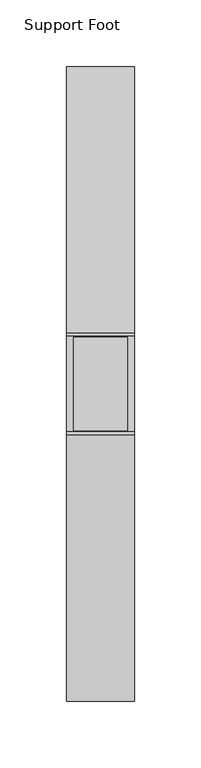
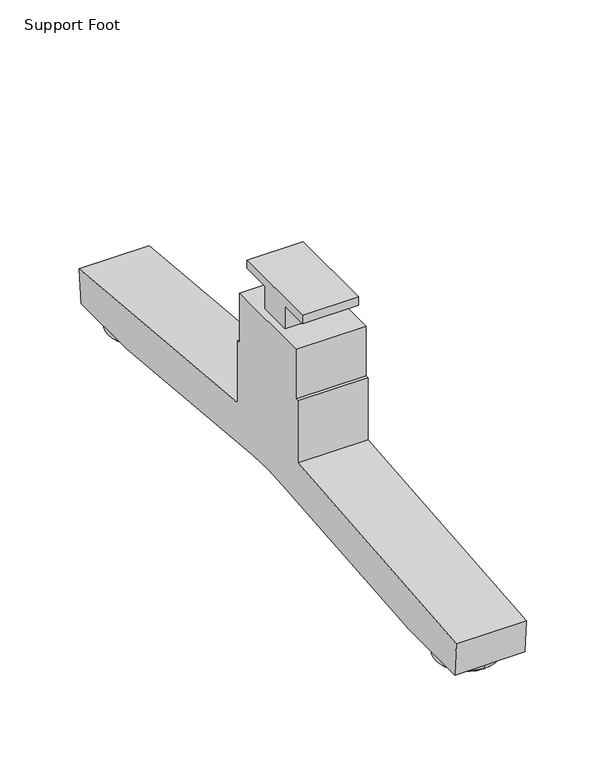
"""IFC4 building model written with IfcOpenShell, lengths in millimetres: furniture geometry, Support Foot."""

from ifc_helpers import new_model, si_unit, frame, origin, place, context, project, spatial, polyline, circle_curve, outline, extrude, source, transform, mapped, element, save
from ifc_brep_helpers import plane_surface, cylinder_surface, revolved_surface, advanced_brep


def support_foot_19a818ab(model_context):
    return source(origin(), model_context, "Body", "SolidModel", [
        advanced_brep(
        [(25.4000008, -245.1099919, 0.0), (25.4000008, -224.1549952, 0.0), (25.4000008, -266.0649887, 0.0), (25.4000008, -222.6309952, 1.524), (25.4000008, -267.5889886, 1.524), (25.4000008, -222.6309952, 4.9276), (25.4000008, -267.5889886, 4.9276), (25.4000008, -224.1549937, 6.4516002), (25.4000008, -266.0649901, 6.4516002), (25.4000008, -236.8549907, 8.9916001), (25.4000008, -253.3649931, 8.9916001), (25.4000008, -245.1099919, 8.9916001)],
        [
            (0, 1),
            (1, 2, circle_curve(frame((25.4000008, -245.1099919, 0.0), z_axis=(0.0, 0.0, -1.0), x_axis=(0.0, 1.0, 0.0)), 20.9549968)),
            (2, 0),
            (2, 1, circle_curve(frame((25.4000008, -245.1099919, 0.0), z_axis=(0.0, 0.0, -1.0), x_axis=(0.0, 1.0, 0.0)), 20.9549968)),
            (1, 3),
            (3, 4, circle_curve(frame((25.4000008, -245.1099919, 1.524), z_axis=(0.0, 0.0, -1.0), x_axis=(0.0, 1.0, 0.0)), 22.4789967)),
            (4, 2),
            (4, 3, circle_curve(frame((25.4000008, -245.1099919, 1.524), z_axis=(0.0, 0.0, -1.0), x_axis=(0.0, 1.0, 0.0)), 22.4789967)),
            (3, 5),
            (5, 6, circle_curve(frame((25.4000008, -245.1099919, 4.9276), z_axis=(0.0, 0.0, -1.0), x_axis=(0.0, 1.0, 0.0)), 22.4789967)),
            (6, 4),
            (6, 5, circle_curve(frame((25.4000008, -245.1099919, 4.9276), z_axis=(0.0, 0.0, -1.0), x_axis=(0.0, 1.0, 0.0)), 22.4789967)),
            (5, 7),
            (7, 8, circle_curve(frame((25.4000008, -245.1099919, 6.4516002), z_axis=(0.0, 0.0, -1.0), x_axis=(0.0, 1.0, 0.0)), 20.9549982)),
            (8, 6),
            (8, 7, circle_curve(frame((25.4000008, -245.1099919, 6.4516002), z_axis=(0.0, 0.0, -1.0), x_axis=(0.0, 1.0, 0.0)), 20.9549982)),
            (7, 9),
            (9, 10, circle_curve(frame((25.4000008, -245.1099919, 8.9916001), z_axis=(0.0, 0.0, -1.0), x_axis=(0.0, 1.0, 0.0)), 8.2550012)),
            (10, 8),
            (10, 9, circle_curve(frame((25.4000008, -245.1099919, 8.9916001), z_axis=(0.0, 0.0, -1.0), x_axis=(0.0, 1.0, 0.0)), 8.2550012)),
            (9, 11),
            (11, 10),
        ],
        [
            plane_surface(frame((25.4000008, -245.1099919, 0.0), z_axis=(0.0, 0.0, -1.0), x_axis=(0.0, 1.0, 0.0))),
            revolved_surface(polyline([(25.4000008, -222.6309952, 1.524), (25.4000008, -224.1549952, 0.0)]), (25.4000008, -245.1099919, 8.9916001), (0.0, 0.0, -1.0)),
            cylinder_surface(frame((25.4000008, -245.1099919, 8.9916001), z_axis=(0.0, 0.0, -1.0), x_axis=(0.0, 1.0, 0.0)), 22.4789967),
            revolved_surface(polyline([(25.4000008, -224.1549937, 6.4516002), (25.4000008, -222.6309952, 4.9276)]), (25.4000008, -245.1099919, 8.9916001), (0.0, 0.0, -1.0)),
            revolved_surface(polyline([(25.4000008, -236.8549907, 8.9916001), (25.4000008, -224.1549937, 6.4516002)]), (25.4000008, -245.1099919, 8.9916001), (0.0, 0.0, -1.0)),
            plane_surface(frame((25.4000008, -245.1099919, 8.9916001), z_axis=(0.0, 0.0, 1.0), x_axis=(0.0, 1.0, 0.0))),
        ],
        [
            (0, [[1, 2, 3]]),
            (0, [[-3, 4, -1]]),
            (1, [[-2, 5, 6, 7]]),
            (1, [[-4, -7, 8, -5]]),
            (2, [[-6, 9, 10, 11]]),
            (2, [[-8, -11, 12, -9]]),
            (3, [[-10, 13, 14, 15]]),
            (3, [[-12, -15, 16, -13]]),
            (4, [[-14, 17, 18, 19]]),
            (4, [[-16, -19, 20, -17]]),
            (5, [[-18, 21, 22]]),
            (5, [[-20, -22, -21]]),
        ],
    ),
        advanced_brep(
        [(25.4000008, 188.5950004, 0.0), (25.4000008, 146.6850069, 0.0), (25.4000008, 167.6400036, 0.0), (25.4000008, 190.1190004, 1.524), (25.4000008, 145.1610069, 1.524), (25.4000008, 190.1190004, 4.9276), (25.4000008, 145.1610069, 4.9276), (25.4000008, 188.5950018, 6.4516002), (25.4000008, 146.6850055, 6.4516002), (25.4000008, 175.8950048, 8.9916001), (25.4000008, 159.3850024, 8.9916001), (25.4000008, 167.6400036, 8.9916001)],
        [
            (0, 1, circle_curve(frame((25.4000008, 167.6400036, 0.0), z_axis=(0.0, 0.0, -1.0), x_axis=(0.0, -1.0, 0.0)), 20.9549968)),
            (1, 2),
            (2, 0),
            (1, 0, circle_curve(frame((25.4000008, 167.6400036, 0.0), z_axis=(0.0, 0.0, -1.0), x_axis=(0.0, -1.0, 0.0)), 20.9549968)),
            (3, 4, circle_curve(frame((25.4000008, 167.6400036, 1.524), z_axis=(0.0, 0.0, -1.0), x_axis=(0.0, -1.0, 0.0)), 22.4789967)),
            (4, 1),
            (0, 3),
            (4, 3, circle_curve(frame((25.4000008, 167.6400036, 1.524), z_axis=(0.0, 0.0, -1.0), x_axis=(0.0, -1.0, 0.0)), 22.4789967)),
            (5, 6, circle_curve(frame((25.4000008, 167.6400036, 4.9276), z_axis=(0.0, 0.0, -1.0), x_axis=(0.0, -1.0, 0.0)), 22.4789967)),
            (6, 4),
            (3, 5),
            (6, 5, circle_curve(frame((25.4000008, 167.6400036, 4.9276), z_axis=(0.0, 0.0, -1.0), x_axis=(0.0, -1.0, 0.0)), 22.4789967)),
            (7, 8, circle_curve(frame((25.4000008, 167.6400036, 6.4516002), z_axis=(0.0, 0.0, -1.0), x_axis=(0.0, -1.0, 0.0)), 20.9549982)),
            (8, 6),
            (5, 7),
            (8, 7, circle_curve(frame((25.4000008, 167.6400036, 6.4516002), z_axis=(0.0, 0.0, -1.0), x_axis=(0.0, -1.0, 0.0)), 20.9549982)),
            (9, 10, circle_curve(frame((25.4000008, 167.6400036, 8.9916001), z_axis=(0.0, 0.0, -1.0), x_axis=(0.0, -1.0, 0.0)), 8.2550012)),
            (10, 8),
            (7, 9),
            (10, 9, circle_curve(frame((25.4000008, 167.6400036, 8.9916001), z_axis=(0.0, 0.0, -1.0), x_axis=(0.0, -1.0, 0.0)), 8.2550012)),
            (11, 10),
            (9, 11),
        ],
        [
            plane_surface(frame((25.4000008, 167.6400036, 0.0), z_axis=(0.0, 0.0, -1.0), x_axis=(0.0, -1.0, 0.0))),
            revolved_surface(polyline([(25.4000008, 146.6850069, 0.0), (25.4000008, 145.1610069, 1.524)]), (25.4000008, 167.6400036, 8.9916001), (0.0, 0.0, 1.0)),
            cylinder_surface(frame((25.4000008, 167.6400036, 8.9916001), z_axis=(0.0, 0.0, 1.0), x_axis=(0.0, -1.0, 0.0)), 22.4789967),
            revolved_surface(polyline([(25.4000008, 145.1610069, 4.9276), (25.4000008, 146.6850055, 6.4516002)]), (25.4000008, 167.6400036, 8.9916001), (0.0, 0.0, 1.0)),
            revolved_surface(polyline([(25.4000008, 146.6850055, 6.4516002), (25.4000008, 159.3850024, 8.9916001)]), (25.4000008, 167.6400036, 8.9916001), (0.0, 0.0, 1.0)),
            plane_surface(frame((25.4000008, 167.6400036, 8.9916001), z_axis=(0.0, 0.0, 1.0), x_axis=(0.0, -1.0, 0.0))),
        ],
        [
            (0, [[1, 2, 3]]),
            (0, [[4, -3, -2]]),
            (1, [[5, 6, -1, 7]]),
            (1, [[8, -7, -4, -6]]),
            (2, [[9, 10, -5, 11]]),
            (2, [[12, -11, -8, -10]]),
            (3, [[13, 14, -9, 15]]),
            (3, [[16, -15, -12, -14]]),
            (4, [[17, 18, -13, 19]]),
            (4, [[20, -19, -16, -18]]),
            (5, [[21, -17, 22]]),
            (5, [[-22, -20, -21]]),
        ],
    ),
        extrude(outline(polyline([(-3.8099949, 162.0116045), (-3.8099949, 155.6615923), (-26.0349956, 155.6615923), (-26.0349956, 138.1505972), (-51.4349964, 138.1505972), (-51.4349964, 155.6615923), (-73.6599933, 155.6615923), (-73.6599933, 162.0116045), (-3.8099949, 162.0116045)])), frame((5.0800003, 0.0, 0.0), z_axis=(1.0, 0.0, 0.0), x_axis=(0.0, 1.0, 0.0)), (0.0, 0.0, 1.0), 40.6400016),
        extrude(outline(polyline([(198.7550012, 34.3916008), (196.5327895, 8.9916001), (138.7472178, 8.9916001), (-20.3184546, 23.4677105), (-38.7349949, 24.3040012), (-57.1515352, 23.4677105), (-216.2171984, 8.9916001), (-274.0027883, 8.9916001), (-276.225, 34.3916008), (-76.8349994, 52.5375136), (-76.8349994, 100.0505972), (-74.2949973, 100.0505972), (-74.2949973, 138.1505972), (-3.174995, 138.1505972), (-3.174995, 100.0505972), (-0.6349951, 100.0505972), (-0.6349951, 52.5375136), (198.7550012, 34.3916008)])), frame((0.0, 0.0, 0.0), z_axis=(1.0, 0.0, 0.0), x_axis=(0.0, 1.0, 0.0)), (0.0, 0.0, 1.0), 50.8000015),
    ])


if __name__ == "__main__":
    model = new_model("IFC4")
    model_context = context("Model", 3, world=origin())
    ifc_project = project(units=[si_unit("LENGTHUNIT", "METRE", prefix="MILLI")], contexts=[model_context])
    site = spatial("IfcSite", under=ifc_project)
    building = spatial("IfcBuilding", under=site)
    placement = place(None, origin())
    support_foot_shape = support_foot_19a818ab(model_context)
    element("IfcFurniture", 1, ObjectType="Support Foot", at=placement, inside=building, context=model_context, shape_type="MappedRepresentation", body=[
        mapped(support_foot_shape, transform((0.0, 0.0, 0.0), x_axis=(1.0, 0.0, 0.0), y_axis=(0.0, 1.0, 0.0), z_axis=(0.0, 0.0, 1.0))),
    ])
    save(model, "model.ifc")
